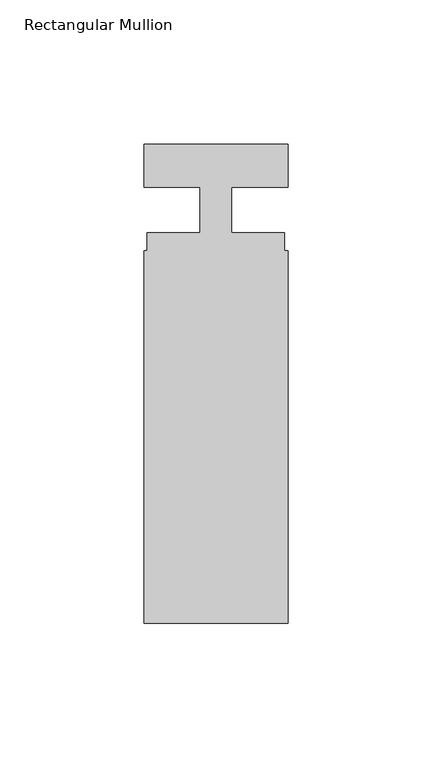
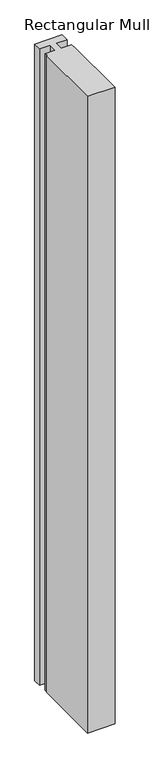
"""IFC4 building model written with IfcOpenShell, lengths in millimetres: member geometry, Rectangular Mullion."""

from ifc_helpers import new_model, si_unit, frame, origin, place, context, project, spatial, polyline, outline, extrude, source, transform, mapped, element, save


def rectangular_mullion_1301c929(model_context):
    return source(origin(), model_context, "Body", "SweptSolid", [
        extrude(outline(polyline([(0.0, -140.3), (-50.0, -140.3), (-50.0, -11.0), (-48.9, -11.0), (-48.9, -4.8), (-30.4999998, -4.8), (-30.4999998, 11.0), (-50.0, 11.0), (-50.0, 26.0), (0.0, 26.0), (0.0, 11.0), (-19.5, 11.0), (-19.5, -4.8), (-1.1, -4.8), (-1.1, -11.0), (0.0, -11.0), (0.0, -140.3)])), frame((0.0, 0.0, -1225.0), z_axis=(0.0, 0.0, 1.0), x_axis=(1.0, 0.0, 0.0)), (0.0, 0.0, 1.0), 1225.0),
    ])


if __name__ == "__main__":
    model = new_model("IFC4")
    model_context = context("Model", 3, world=origin())
    ifc_project = project(units=[si_unit("LENGTHUNIT", "METRE", prefix="MILLI")], contexts=[model_context])
    site = spatial("IfcSite", under=ifc_project)
    building = spatial("IfcBuilding", under=site)
    placement = place(None, origin())
    rectangular_mullion_shape = rectangular_mullion_1301c929(model_context)
    element("IfcMember", 1, ObjectType="Rectangular Mullion", at=placement, inside=building, context=model_context, shape_type="MappedRepresentation", body=[
        mapped(rectangular_mullion_shape, transform((0.0, 0.0, 0.0), x_axis=(1.0, 0.0, 0.0), y_axis=(0.0, 1.0, 0.0), z_axis=(0.0, 0.0, 1.0))),
    ])
    save(model, "model.ifc")
